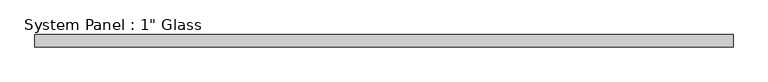
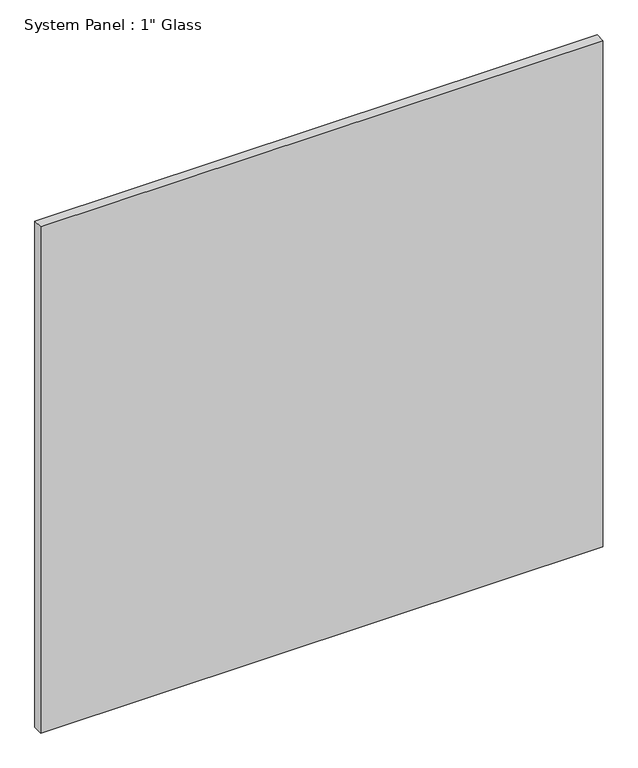
"""IFC4 building model written with IfcOpenShell, lengths in millimetres: plate geometry."""

from ifc_helpers import new_model, si_unit, origin, origin_with_axes, place, context, project, spatial, polyline, outline, extrude, source, transform, mapped, element, save


def plate_e518b3cf(model_context):
    return source(origin(), model_context, "Body", "SweptSolid", [
        extrude(outline(polyline([(729.2430865, -10.31875), (-729.2430865, -10.31875), (-729.2430865, 15.08125), (729.2430865, 15.08125), (729.2430865, -10.31875)])), origin_with_axes(), (0.0, 0.0, 1.0), 1388.8591382),
    ])


if __name__ == "__main__":
    model = new_model("IFC4")
    model_context = context("Model", 3, world=origin())
    ifc_project = project(units=[si_unit("LENGTHUNIT", "METRE", prefix="MILLI")], contexts=[model_context])
    site = spatial("IfcSite", under=ifc_project)
    building = spatial("IfcBuilding", under=site)
    placement = place(None, origin())
    plate_shape = plate_e518b3cf(model_context)
    element("IfcPlate", 1, ObjectType="System Panel : 1\" Glass", at=placement, inside=building, context=model_context, shape_type="MappedRepresentation", body=[
        mapped(plate_shape, transform((0.0, 0.0, 0.0), x_axis=(1.0, 0.0, 0.0), y_axis=(0.0, 1.0, 0.0), z_axis=(0.0, 0.0, 1.0))),
    ])
    save(model, "model.ifc")
